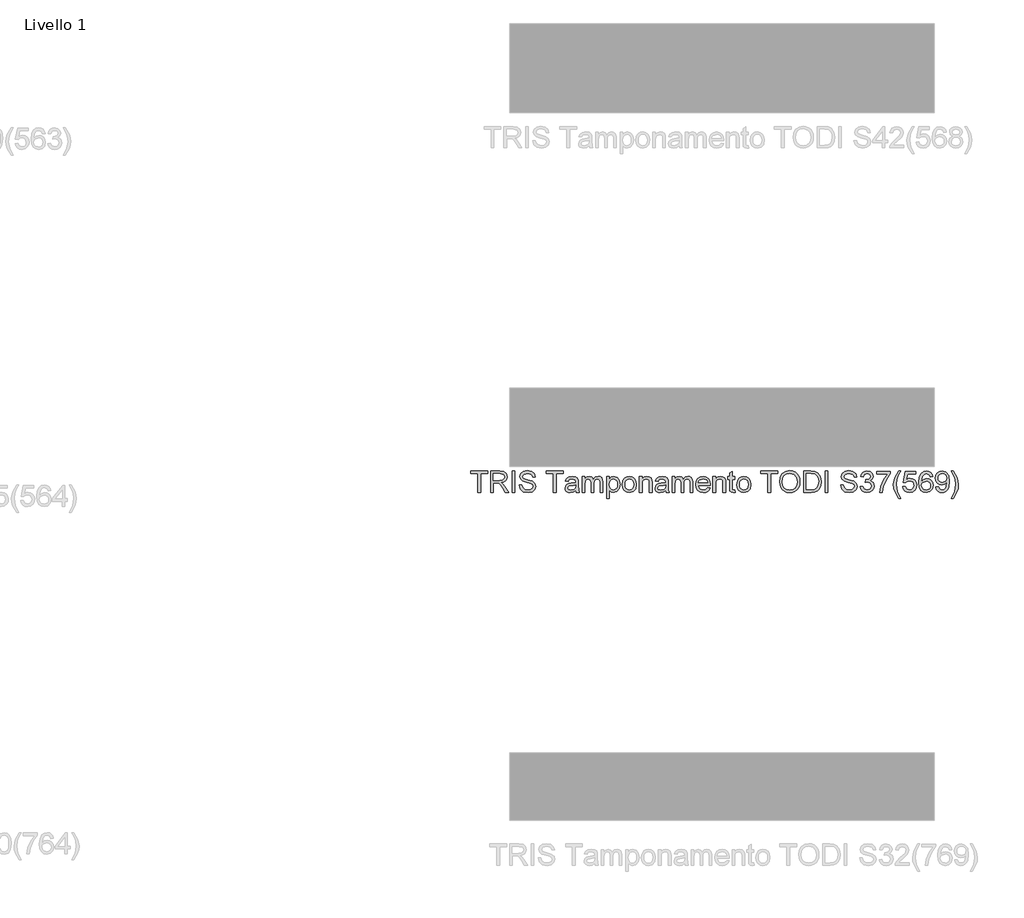
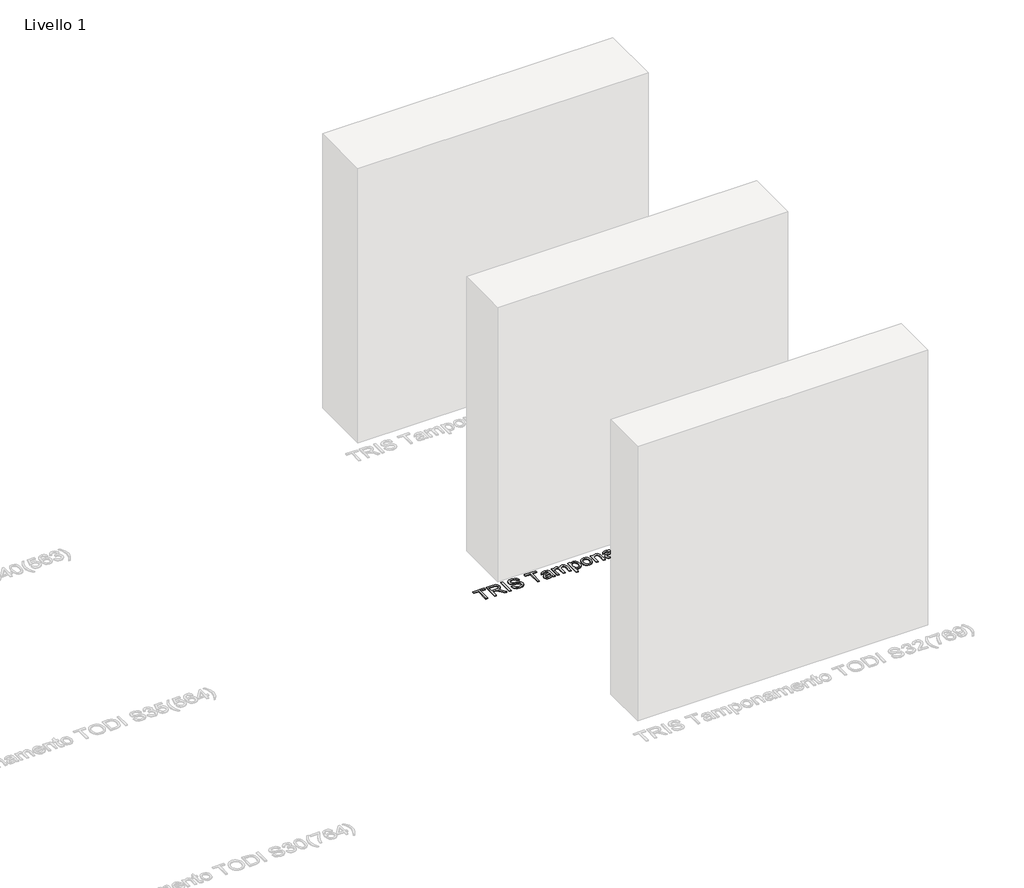
# One storey, part 14 of 18: 1 proxy.
"""IFC4 building model written with IfcOpenShell, lengths in millimetres."""

from ifc_helpers import new_model, si_unit, origin, origin_with_axes, place, context, project, spatial, polyline, outline, extrude, element, save

model = new_model("IFC4")

# Units and contexts
model_context = context("Model", 3, world=origin())
ifc_project = project(units=[si_unit("LENGTHUNIT", "METRE", prefix="MILLI")], contexts=[model_context])

# Site, building, storey
site = spatial("IfcSite", under=ifc_project)
building = spatial("IfcBuilding", under=site)
storey = spatial("IfcBuildingStorey", under=building, Name="Livello 1", Elevation=0.0)

# Proxy
placement = place(None, origin())
element("IfcBuildingElementProxy", 1, Name="100", ObjectType="100", at=placement, inside=storey, context=model_context, shape_type="SweptSolid", body=[
    extrude(outline(polyline([(-1370.73658, -8.7109404), (-1370.73658, 79.188331), (-1403.6988067, 79.188331), (-1403.6988067, 91.7453697), (-1325.2173144, 91.7453697), (-1325.2173144, 79.188331), (-1358.1795412, 79.188331), (-1358.1795412, -8.7109404), (-1370.73658, -8.7109404)])), origin_with_axes(), (0.0, 0.0, 1.0), 5.0),
    extrude(outline(polyline([(-1311.0906458, -8.7109404), (-1311.0906458, 91.7453697), (-1267.8031977, 91.7453697), (-1247.7045781, 89.0353057), (-1236.7171691, 79.4458484), (-1232.6091535, 64.252322), (-1234.3106077, 54.3562963), (-1239.4149704, 46.1525278), (-1248.0755257, 40.1376572), (-1260.4455578, 36.8083251), (-1253.3086471, 31.437248), (-1243.1305786, 18.5123272), (-1226.3796851, -8.7109404), (-1240.9723375, -8.7109404), (-1254.0444111, 12.1111805), (-1263.4867156, 25.8944926), (-1270.1208543, 32.4060039), (-1276.0928053, 34.7972369), (-1283.3768689, 35.2386953), (-1298.5336071, 35.2386953), (-1298.5336071, -8.7109404), (-1311.0906458, -8.7109404)]), holes=[polyline([(-1298.5336071, 47.795734), (-1270.4274226, 47.795734), (-1256.0922875, 49.5738303), (-1247.9498327, 55.2637385), (-1245.1661923, 63.7863381), (-1250.4759557, 74.8473234), (-1267.2636375, 79.188331), (-1298.5336071, 79.188331), (-1298.5336071, 47.795734)])]), origin_with_axes(), (0.0, 0.0, 1.0), 5.0),
    extrude(outline(polyline([(-1209.0647058, -8.7109404), (-1209.0647058, 91.7453697), (-1196.5076671, 91.7453697), (-1196.5076671, -8.7109404), (-1209.0647058, -8.7109404)])), origin_with_axes(), (0.0, 0.0, 1.0), 5.0),
    extrude(outline(polyline([(-1176.1024791, 25.8209162), (-1163.5454403, 25.8209162), (-1159.4987383, 13.2516147), (-1149.6149754, 5.3053636), (-1134.5563391, 2.2764685), (-1121.4352146, 4.5695996), (-1112.961666, 10.8726445), (-1110.1780255, 19.2971421), (-1112.2626902, 27.1330286), (-1120.7975524, 32.8351996), (-1139.0812876, 37.6299282), (-1158.7629744, 43.8226085), (-1169.4438149, 53.1668112), (-1172.9632194, 65.6502735), (-1168.6099491, 79.8627813), (-1155.8934948, 89.893697), (-1137.2786658, 93.3149996), (-1117.4130381, 89.7342815), (-1104.1692863, 79.2128564), (-1099.1906166, 63.4920325), (-1111.7476554, 63.4920325), (-1114.0530492, 70.9845625), (-1118.8600406, 76.3924278), (-1136.7881565, 80.7579608), (-1154.7653233, 76.4414787), (-1160.4061806, 66.0181555), (-1156.4085296, 57.311615), (-1135.9052397, 50.2973316), (-1113.6851672, 43.9942868), (-1101.5327986, 33.8162182), (-1097.6209868, 19.6159732), (-1102.1214098, 4.5941251), (-1115.0708561, -6.3687584), (-1134.0658297, -10.2805703), (-1156.4943687, -6.0621901), (-1170.682351, 6.6420015), (-1176.1024791, 25.8209162)])), origin_with_axes(), (0.0, 0.0, 1.0), 5.0),
    extrude(outline(polyline([(-1014.4306049, -8.7109404), (-1014.4306049, 79.188331), (-1047.3928317, 79.188331), (-1047.3928317, 91.7453697), (-968.9113394, 91.7453697), (-968.9113394, 79.188331), (-1001.8735661, 79.188331), (-1001.8735661, -8.7109404), (-1014.4306049, -8.7109404)])), origin_with_axes(), (0.0, 0.0, 1.0), 5.0),
    extrude(outline(polyline([(-909.2654052, 0.7068387), (-921.4422993, -7.8034982), (-934.8945176, -10.2805703), (-945.3883515, -8.7906482), (-953.1292018, -4.3208819), (-957.9024707, 2.4665409), (-959.4935603, 10.9094327), (-957.0900646, 20.8422465), (-950.774757, 28.0527336), (-941.9823773, 32.173012), (-931.1175957, 34.0614729), (-909.3389816, 38.377955), (-909.2654052, 41.1738581), (-912.723496, 50.4444844), (-926.6049099, 54.0742534), (-939.3091015, 51.658495), (-945.3668917, 43.0868445), (-957.9239305, 44.6564743), (-952.4915397, 56.9192075), (-941.5531817, 64.1051692), (-924.9862291, 66.6312922), (-909.7681773, 64.3994748), (-901.1720013, 58.7954057), (-897.3215031, 50.2728061), (-896.7083665, 39.2853972), (-896.7083665, 23.6626752), (-896.0707043, 1.8472728), (-893.5691068, -8.7109404), (-906.1261455, -8.7109404), (-909.2654052, 0.7068387)]), holes=[polyline([(-909.2654052, 25.8209162), (-929.5234404, 21.970418), (-940.3269083, 19.9348043), (-945.2197389, 16.6238663), (-946.9365215, 11.7923494), (-943.1963879, 4.9987953), (-932.2212417, 2.2764685), (-919.5170502, 5.2808381), (-911.3255444, 12.5526389), (-909.3389816, 22.2647236), (-909.2654052, 25.8209162)])]), origin_with_axes(), (0.0, 0.0, 1.0), 5.0),
    extrude(outline(polyline([(-879.4424381, -8.7109404), (-879.4424381, 65.0616623), (-866.8853994, 65.0616623), (-866.8853994, 52.9215565), (-858.2524352, 62.8666331), (-845.9651766, 66.6312922), (-833.3836124, 62.7930567), (-826.4674308, 52.0386397), (-816.669507, 62.9831291), (-804.2964093, 66.6312922), (-794.8571704, 65.113779), (-787.8766095, 60.5612393), (-783.5631932, 52.8510458), (-782.1253877, 41.8605712), (-782.1253877, -8.7109404), (-794.6824265, -8.7109404), (-794.6824265, 36.4649686), (-795.8473861, 46.9496054), (-800.0657663, 52.1122161), (-807.2394652, 54.0742534), (-819.5880375, 49.0465328), (-823.2760545, 42.5043647), (-824.5053935, 32.9333014), (-824.5053935, -8.7109404), (-837.0624323, -8.7109404), (-837.0624323, 37.8629202), (-839.9687001, 50.0275515), (-849.4968437, 54.0742534), (-858.7919955, 51.3764521), (-864.972413, 43.479252), (-866.8853994, 28.494192), (-866.8853994, -8.7109404), (-879.4424381, -8.7109404)])), origin_with_axes(), (0.0, 0.0, 1.0), 5.0),
    extrude(outline(polyline([(-763.2898295, -36.9642776), (-763.2898295, 65.0616623), (-750.7327908, 65.0616623), (-750.7327908, 52.7498782), (-742.0507757, 63.1609387), (-730.3276028, 66.6312922), (-714.4105751, 61.7752499), (-704.0117774, 48.0900396), (-700.5046357, 28.7394467), (-704.4654985, 8.3955724), (-715.9679422, -5.4613161), (-731.8481817, -10.2805703), (-742.7742769, -7.0554714), (-750.7327908, 1.0992461), (-750.7327908, -36.9642776), (-763.2898295, -36.9642776)]), holes=[polyline([(-750.7327908, 27.5867498), (-749.3746931, 16.3295607), (-745.3004, 8.456886), (-739.288595, 3.8215729), (-732.1179618, 2.2764685), (-724.8308326, 3.8767552), (-718.6657435, 8.6776152), (-714.4626917, 16.8384641), (-713.0616745, 28.5187175), (-714.4289692, 39.7145929), (-718.5308535, 47.6976322), (-724.5334613, 52.4800981), (-731.602927, 54.0742534), (-738.6999838, 52.3789306), (-744.932518, 47.292962), (-749.2827226, 38.9757632), (-750.7327908, 27.5867498)])]), origin_with_axes(), (0.0, 0.0, 1.0), 5.0),
    extrude(outline(polyline([(-689.5172268, 28.175361), (-686.8010314, 45.9624554), (-678.6524452, 58.4643119), (-668.5847412, 64.5895471), (-656.5304745, 66.6312922), (-643.3388393, 64.145023), (-632.8020858, 56.6862156), (-625.8951014, 44.843481), (-623.5927732, 29.2054305), (-627.6640006, 6.8627307), (-639.5220636, -5.7801472), (-656.5304745, -10.2805703), (-669.8815253, -7.8034982), (-680.406016, -0.3722819), (-687.2394241, 11.718773), (-689.5172268, 28.175361)]), holes=[polyline([(-676.960188, 28.1998864), (-675.5070541, 16.8353985), (-671.1476525, 8.7389289), (-664.5870902, 3.8920836), (-656.5304745, 2.2764685), (-648.510647, 3.9012806), (-641.9623475, 8.7757171), (-637.6029459, 16.9794856), (-636.149812, 28.5922939), (-637.6121429, 39.6256881), (-641.9991357, 47.611793), (-648.5566323, 52.4586383), (-656.5304745, 54.0742534), (-664.5870902, 52.4647697), (-671.1476525, 47.6363185), (-675.5070541, 39.558243), (-676.960188, 28.1998864)])]), origin_with_axes(), (0.0, 0.0, 1.0), 5.0),
    extrude(outline(polyline([(-609.4661046, -8.7109404), (-609.4661046, 65.0616623), (-596.9090659, 65.0616623), (-596.9090659, 54.7609665), (-587.3073458, 63.6637108), (-574.198484, 66.6312922), (-562.340421, 64.2400592), (-554.2470171, 57.9615398), (-550.4823581, 48.7277018), (-549.8201705, 36.5875959), (-549.8201705, -8.7109404), (-562.3772092, -8.7109404), (-562.3772092, 34.8953387), (-563.8242118, 46.005375), (-568.9377715, 51.8792242), (-577.5584729, 54.0742534), (-591.1823695, 49.1446347), (-595.4773918, 42.0015926), (-596.9090659, 30.4317039), (-596.9090659, -8.7109404), (-609.4661046, -8.7109404)])), origin_with_axes(), (0.0, 0.0, 1.0), 5.0),
    extrude(outline(polyline([(-485.4653468, 0.7068387), (-497.6422408, -7.8034982), (-511.0944591, -10.2805703), (-521.588293, -8.7906482), (-529.3291433, -4.3208819), (-534.1024122, 2.4665409), (-535.6935019, 10.9094327), (-533.2900062, 20.8422465), (-526.9746986, 28.0527336), (-518.1823189, 32.173012), (-507.3175373, 34.0614729), (-485.5389232, 38.377955), (-485.4653468, 41.1738581), (-488.9234375, 50.4444844), (-502.8048515, 54.0742534), (-515.5090431, 51.658495), (-521.5668332, 43.0868445), (-534.123872, 44.6564743), (-528.6914812, 56.9192075), (-517.7531232, 64.1051692), (-501.1861707, 66.6312922), (-485.9681188, 64.3994748), (-477.3719429, 58.7954057), (-473.5214447, 50.2728061), (-472.908308, 39.2853972), (-472.908308, 23.6626752), (-472.2706459, 1.8472728), (-469.7690483, -8.7109404), (-482.3260871, -8.7109404), (-485.4653468, 0.7068387)]), holes=[polyline([(-485.4653468, 25.8209162), (-505.723382, 21.970418), (-516.5268499, 19.9348043), (-521.4196804, 16.6238663), (-523.1364631, 11.7923494), (-519.3963295, 4.9987953), (-508.4211833, 2.2764685), (-495.7169917, 5.2808381), (-487.525486, 12.5526389), (-485.5389232, 22.2647236), (-485.4653468, 25.8209162)])]), origin_with_axes(), (0.0, 0.0, 1.0), 5.0),
    extrude(outline(polyline([(-455.6423797, -8.7109404), (-455.6423797, 65.0616623), (-443.0853409, 65.0616623), (-443.0853409, 52.9215565), (-434.4523768, 62.8666331), (-422.1651181, 66.6312922), (-409.5835539, 62.7930567), (-402.6673724, 52.0386397), (-392.8694486, 62.9831291), (-380.4963508, 66.6312922), (-371.057112, 65.113779), (-364.0765511, 60.5612393), (-359.7631347, 52.8510458), (-358.3253292, 41.8605712), (-358.3253292, -8.7109404), (-370.882368, -8.7109404), (-370.882368, 36.4649686), (-372.0473277, 46.9496054), (-376.2657079, 52.1122161), (-383.4394068, 54.0742534), (-395.7879791, 49.0465328), (-399.4759961, 42.5043647), (-400.7053351, 32.9333014), (-400.7053351, -8.7109404), (-413.2623739, -8.7109404), (-413.2623739, 37.8629202), (-416.1686416, 50.0275515), (-425.6967853, 54.0742534), (-434.991937, 51.3764521), (-441.1723546, 43.479252), (-443.0853409, 28.494192), (-443.0853409, -8.7109404), (-455.6423797, -8.7109404)])), origin_with_axes(), (0.0, 0.0, 1.0), 5.0),
    extrude(outline(polyline([(-287.839139, 13.2638774), (-275.5273549, 11.6942476), (-279.9633986, 2.4174899), (-287.0420613, -4.5170857), (-296.6039275, -8.8396991), (-308.4895816, -10.2805703), (-323.2232555, -7.7943011), (-334.5601524, -0.3354937), (-341.7890336, 11.6114741), (-344.1986606, 27.5622243), (-341.7645081, 44.0494691), (-334.4620505, 56.3796473), (-323.2784378, 64.068381), (-309.2008202, 66.6312922), (-295.5615952, 64.0745123), (-284.6630911, 56.4041727), (-277.5169833, 44.09852), (-275.1349474, 27.6358007), (-275.2085238, 24.2512863), (-331.6416219, 24.2512863), (-329.4680524, 14.8519014), (-324.418872, 7.9418512), (-317.1317428, 3.6928142), (-308.244327, 2.2764685), (-295.9325429, 4.9006934), (-287.839139, 13.2638774)]), holes=[polyline([(-331.6416219, 36.8083251), (-287.6919862, 36.8083251), (-292.7197068, 48.1881415), (-300.0405585, 52.6027254), (-309.2498711, 54.0742534), (-324.7131776, 49.3776266), (-329.578417, 43.8869878), (-331.6416219, 36.8083251)])]), origin_with_axes(), (0.0, 0.0, 1.0), 5.0),
    extrude(outline(polyline([(-262.5779086, -8.7109404), (-262.5779086, 65.0616623), (-250.0208699, 65.0616623), (-250.0208699, 54.7609665), (-240.4191498, 63.6637108), (-227.310288, 66.6312922), (-215.4522251, 64.2400592), (-207.3588212, 57.9615398), (-203.5941621, 48.7277018), (-202.9319745, 36.5875959), (-202.9319745, -8.7109404), (-215.4890133, -8.7109404), (-215.4890133, 34.8953387), (-216.9360158, 46.005375), (-222.0495755, 51.8792242), (-230.6702769, 54.0742534), (-244.2941735, 49.1446347), (-248.5891958, 42.0015926), (-250.0208699, 30.4317039), (-250.0208699, -8.7109404), (-262.5779086, -8.7109404)])), origin_with_axes(), (0.0, 0.0, 1.0), 5.0),
    extrude(outline(polyline([(-158.9823388, 1.7614337), (-157.4127089, -9.0788224), (-166.8059626, -10.2805703), (-177.3273876, -8.1959056), (-182.5758374, -2.7267266), (-184.0964163, 11.5225693), (-184.0964163, 52.5046236), (-193.5141954, 52.5046236), (-193.5141954, 65.0616623), (-184.0964163, 65.0616623), (-184.0964163, 82.9897782), (-171.5393776, 90.3719436), (-171.5393776, 65.0616623), (-158.9823388, 65.0616623), (-158.9823388, 52.5046236), (-171.5393776, 52.5046236), (-171.5393776, 11.8904513), (-170.87719, 5.4157282), (-168.7312117, 3.1225971), (-164.4515178, 2.2764685), (-158.9823388, 1.7614337)])), origin_with_axes(), (0.0, 0.0, 1.0), 5.0),
    extrude(outline(polyline([(-149.5645597, 28.175361), (-146.8483643, 45.9624554), (-138.6997781, 58.4643119), (-128.6320742, 64.5895471), (-116.5778075, 66.6312922), (-103.3861723, 64.145023), (-92.8494188, 56.6862156), (-85.9424343, 44.843481), (-83.6401062, 29.2054305), (-87.7113336, 6.8627307), (-99.5693966, -5.7801472), (-116.5778075, -10.2805703), (-129.9288582, -7.8034982), (-140.453349, -0.3722819), (-147.286757, 11.718773), (-149.5645597, 28.175361)]), holes=[polyline([(-137.0075209, 28.1998864), (-135.5543871, 16.8353985), (-131.1949854, 8.7389289), (-124.6344232, 3.8920836), (-116.5778075, 2.2764685), (-108.55798, 3.9012806), (-102.0096805, 8.7757171), (-97.6502788, 16.9794856), (-96.1971449, 28.5922939), (-97.6594759, 39.6256881), (-102.0464687, 47.611793), (-108.6039652, 52.4586383), (-116.5778075, 54.0742534), (-124.6344232, 52.4647697), (-131.1949854, 47.6363185), (-135.5543871, 39.558243), (-137.0075209, 28.1998864)])]), origin_with_axes(), (0.0, 0.0, 1.0), 5.0),
    extrude(outline(polyline([(-3.588984, -8.7109404), (-3.588984, 79.188331), (-36.5512108, 79.188331), (-36.5512108, 91.7453697), (41.9302815, 91.7453697), (41.9302815, 79.188331), (8.9680547, 79.188331), (8.9680547, -8.7109404), (-3.588984, -8.7109404)])), origin_with_axes(), (0.0, 0.0, 1.0), 5.0),
    extrude(outline(polyline([(51.3480606, 40.1928395), (54.6957867, 62.4067806), (64.7389652, 79.2128564), (80.073513, 89.7894638), (99.2953473, 93.3149996), (112.4716541, 91.6595306), (124.2867975, 86.6931237), (134.096984, 78.7652667), (141.2584202, 68.2254475), (145.6362159, 55.5825696), (147.0954812, 41.3455364), (145.5595739, 26.9184308), (140.9518519, 14.0977433), (133.5267669, 3.53953), (123.5387708, -4.1001527), (111.8247949, -8.7354659), (99.2217709, -10.2805703), (85.843129, -8.5729847), (73.9605406, -3.4502279), (64.1748795, 4.6247819), (57.0870197, 15.1891265), (51.3480606, 40.1928395)]), holes=[polyline([(63.9050994, 40.0702121), (66.415894, 24.3555196), (73.9482778, 12.3809606), (85.2698462, 4.8025915), (99.1481945, 2.2764685), (113.2288779, 4.827117), (124.5688404, 12.4790625), (132.0460419, 24.8215034), (134.5384424, 41.4436383), (130.2710113, 62.1676573), (117.7998116, 75.8896557), (99.3689237, 80.7579608), (85.8615231, 78.4127131), (74.3774735, 71.3769699), (66.5231929, 58.859785), (63.9050994, 40.0702121)])]), origin_with_axes(), (0.0, 0.0, 1.0), 5.0),
    extrude(outline(polyline([(164.3614095, -8.7109404), (164.3614095, 91.7453697), (199.0158934, 91.7453697), (216.9440093, 90.2983672), (231.7083401, 83.1124056), (243.6031913, 65.9445791), (247.5517913, 42.0567749), (244.8785155, 21.786477), (238.0113849, 7.1570363), (228.8388605, -1.9541744), (216.8336447, -6.9941578), (200.6836252, -8.7109404), (164.3614095, -8.7109404)]), holes=[polyline([(176.9184483, 3.8460983), (199.1385208, 3.8460983), (215.3008031, 5.6609829), (224.6204803, 10.7868053), (232.2601631, 23.258005), (234.9947526, 42.2529786), (233.655049, 55.9381889), (229.6359382, 66.042681), (216.6006528, 77.1772427), (198.7951643, 79.188331), (176.9184483, 79.188331), (176.9184483, 3.8460983)])]), origin_with_axes(), (0.0, 0.0, 1.0), 5.0),
    extrude(outline(polyline([(266.3873495, -8.7109404), (266.3873495, 91.7453697), (278.9443883, 91.7453697), (278.9443883, -8.7109404), (266.3873495, -8.7109404)])), origin_with_axes(), (0.0, 0.0, 1.0), 5.0),
    extrude(outline(polyline([(338.5903224, 25.8209162), (351.1473612, 25.8209162), (355.1940631, 13.2516147), (365.0778261, 5.3053636), (380.1364624, 2.2764685), (393.2575869, 4.5695996), (401.7311355, 10.8726445), (404.514776, 19.2971421), (402.4301113, 27.1330286), (393.895249, 32.8351996), (375.6115139, 37.6299282), (355.9298271, 43.8226085), (345.2489865, 53.1668112), (341.7295821, 65.6502735), (346.0828524, 79.8627813), (358.7993067, 89.893697), (377.4141356, 93.3149996), (397.2797634, 89.7342815), (410.5235152, 79.2128564), (415.5021849, 63.4920325), (402.9451461, 63.4920325), (400.6397523, 70.9845625), (395.8327609, 76.3924278), (377.904645, 80.7579608), (359.9274781, 76.4414787), (354.2866209, 66.0181555), (358.2842719, 57.311615), (378.7875618, 50.2973316), (401.0076343, 43.9942868), (413.1600028, 33.8162182), (417.0718147, 19.6159732), (412.5713916, 4.5941251), (399.6219454, -6.3687584), (380.6269717, -10.2805703), (358.1984328, -6.0621901), (344.0104505, 6.6420015), (338.5903224, 25.8209162)])), origin_with_axes(), (0.0, 0.0, 1.0), 5.0),
    extrude(outline(polyline([(431.1984833, 17.972767), (443.7555221, 19.5423968), (450.6839663, 6.3231704), (463.6456753, 2.2764685), (472.254114, 3.6682887), (478.9005154, 7.8437494), (484.5658981, 21.6270614), (478.9495663, 34.6132959), (464.6757449, 39.7513811), (455.8711025, 38.377955), (457.2690541, 50.9349937), (459.2801423, 50.7878409), (473.5294382, 54.3930845), (478.275116, 58.967084), (479.8570086, 65.4785953), (475.2707464, 75.3010445), (463.4494716, 79.188331), (451.481044, 75.2642563), (445.325152, 63.4920325), (432.7681132, 65.0616623), (436.4653272, 76.3372455), (443.0442836, 84.7556118), (452.0451297, 89.9979303), (463.0080132, 91.7453697), (478.1524887, 88.2995417), (488.7474901, 78.8817626), (492.4140473, 66.2143593), (488.9314311, 54.6383391), (478.6307352, 46.3242061), (492.3159455, 37.7402928), (497.1229369, 21.4063323), (494.7194412, 9.1681245), (487.5089541, -1.0589949), (476.6257784, -7.9751764), (463.2042169, -10.2805703), (451.0641111, -8.3124016), (441.1803481, -2.4078956), (434.3070862, 6.6236074), (431.1984833, 17.972767)])), origin_with_axes(), (0.0, 0.0, 1.0), 5.0),
    extrude(outline(polyline([(508.1103458, 77.6187011), (508.1103458, 90.1757399), (574.0347993, 90.1757399), (574.0347993, 80.0221968), (555.3341312, 53.0073956), (541.0235216, 18.5859036), (536.363683, -8.7109404), (523.8066443, -8.7109404), (528.7975767, 19.6159732), (542.4950496, 51.6339695), (561.4777606, 77.6187011), (508.1103458, 77.6187011)])), origin_with_axes(), (0.0, 0.0, 1.0), 5.0),
    extrude(outline(polyline([(613.2755455, -36.9642776), (595.4455315, -7.5091926), (589.9824838, 9.6708966), (588.1614679, 27.4641224), (593.6061215, 57.998328), (613.2755455, 91.7453697), (622.6933246, 91.7453697), (610.9456262, 71.8552165), (603.8822919, 52.5782), (600.7185067, 27.390546), (606.2122112, -4.7991285), (622.6933246, -36.9642776), (613.2755455, -36.9642776)])), origin_with_axes(), (0.0, 0.0, 1.0), 5.0),
    extrude(outline(polyline([(632.1111036, 17.972767), (644.6681424, 19.5423968), (650.9957127, 6.6052133), (664.1168372, 2.2764685), (673.1176834, 3.781719), (679.8621866, 8.2974705), (684.0744355, 15.3025568), (685.4785184, 24.2758118), (680.2178059, 39.1872954), (673.6112584, 43.2891796), (664.3130409, 44.6564743), (653.2888438, 42.4737078), (646.2377723, 36.8083251), (633.6807335, 38.377955), (644.6681424, 90.1757399), (693.3266676, 90.1757399), (693.3266676, 77.6187011), (654.8216855, 77.6187011), (649.4506083, 49.9539751), (658.4207977, 55.3986286), (667.8201826, 57.2135131), (679.5525526, 54.9633016), (689.2922284, 48.212667), (695.849725, 37.9242338), (698.0355572, 25.0606267), (696.0673885, 12.503588), (690.1628825, 1.7614337), (678.8566425, -7.2700693), (664.0677863, -10.2805703), (651.7345424, -8.3461241), (641.9090274, -2.5427856), (635.1737212, 6.4549948), (632.1111036, 17.972767)])), origin_with_axes(), (0.0, 0.0, 1.0), 5.0),
    extrude(outline(polyline([(773.3777898, 65.0616623), (760.820751, 63.4920325), (756.0628105, 73.9644066), (743.4812463, 79.188331), (732.1504809, 76.1471731), (723.5788304, 64.7305686), (720.010375, 42.3510805), (731.0836231, 52.3697335), (744.8056215, 55.6438833), (756.4061671, 53.4059345), (766.1427772, 46.6920881), (772.746259, 36.4343118), (774.9474196, 23.5645733), (770.8026158, 6.2373313), (759.398274, -6.0254019), (742.941686, -10.2805703), (728.6954558, -7.4601416), (717.3493619, 1.0011443), (709.9273427, 15.9371533), (707.4533362, 38.1817512), (710.2001885, 63.1915955), (718.4407452, 80.2919769), (729.6918029, 88.8820215), (744.2660612, 91.7453697), (755.284127, 89.9734048), (764.1071635, 84.65751), (770.287581, 76.2146182), (773.3777898, 65.0616623)]), holes=[polyline([(720.010375, 23.760777), (722.9166428, 12.8837327), (730.6421647, 4.9865325), (741.9606674, 2.2764685), (750.2472093, 3.6805515), (756.7617863, 7.8928003), (760.9832322, 14.5146762), (762.3903809, 23.1476404), (761.0016263, 31.4341823), (756.8353627, 37.7525556), (750.2104211, 41.7532723), (741.4456326, 43.0868445), (726.2521062, 37.7525556), (721.5708078, 31.5874665), (720.010375, 23.760777)])]), origin_with_axes(), (0.0, 0.0, 1.0), 5.0),
    extrude(outline(polyline([(787.5044584, 16.4031371), (800.0614972, 17.972767), (805.7023544, 5.9920767), (816.3954578, 2.2764685), (826.5612636, 4.6677015), (833.4529196, 11.0565855), (837.5609352, 21.970418), (839.3758197, 36.538545), (839.3022433, 38.9910916), (829.2590649, 29.4752107), (815.4880155, 25.8209162), (804.0376884, 28.0527336), (794.506479, 34.7481859), (788.0777412, 45.0918014), (785.9348286, 58.2681082), (788.1819744, 71.879742), (794.923412, 82.5483198), (805.0493639, 89.4461073), (817.4500528, 91.7453697), (835.3413805, 86.4969199), (847.6531646, 71.5363855), (851.8592821, 43.430201), (847.6654273, 12.9327836), (842.4507001, 2.9417218), (835.1942277, -4.3454074), (826.20871, -8.7967796), (815.8068466, -10.2805703), (805.0708237, -8.5300651), (796.5053045, -3.2785496), (790.5149594, 5.1428824), (787.5044584, 16.4031371)]), holes=[polyline([(839.3022433, 58.5624138), (837.9472113, 67.0727506), (833.8821153, 73.6210501), (827.572939, 77.7965107), (819.4856665, 79.188331), (811.097957, 77.6892118), (804.3779792, 73.1918544), (799.9633953, 66.3093954), (798.4918673, 57.6549715), (799.8836875, 49.8957271), (804.0591482, 43.7367694), (810.6135791, 39.7176586), (819.14231, 38.377955), (833.6245979, 43.7367694), (837.882832, 50.1225877), (839.3022433, 58.5624138)])]), origin_with_axes(), (0.0, 0.0, 1.0), 5.0),
    extrude(outline(polyline([(869.1252104, -36.9642776), (859.7074313, -36.9642776), (876.1885447, -4.7991285), (881.6822492, 27.390546), (878.518464, 52.3574708), (871.5287061, 71.6590128), (859.7074313, 91.7453697), (869.1252104, 91.7453697), (888.7946344, 57.998328), (894.2392879, 27.4641224), (892.409075, 9.6708966), (886.9184362, -7.5091926), (869.1252104, -36.9642776)])), origin_with_axes(), (0.0, 0.0, 1.0), 5.0),
])

save(model, "model.ifc")
